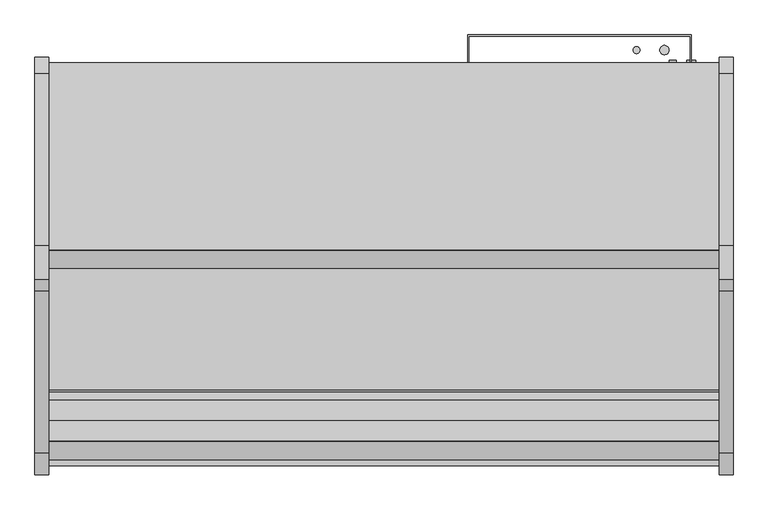
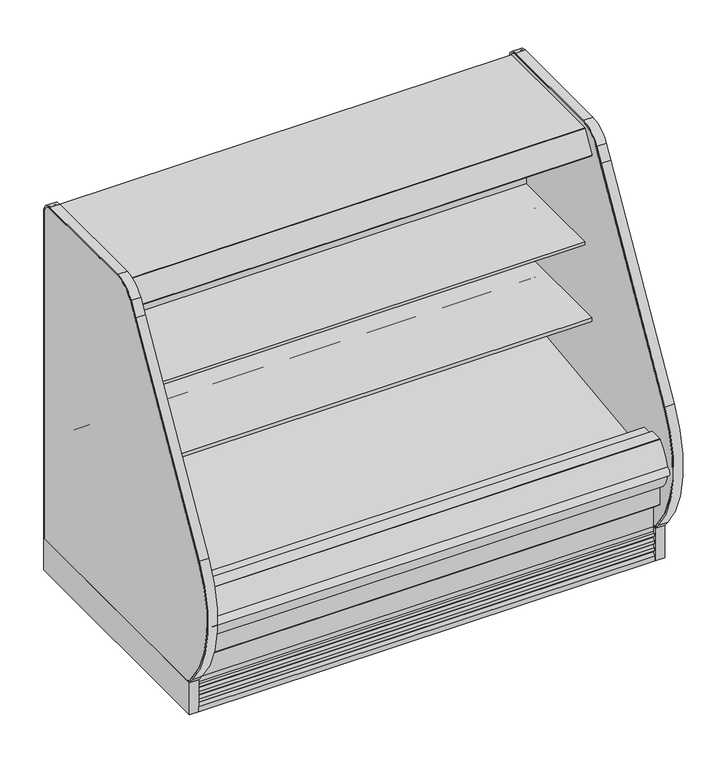
"""IFC4 building model written with IfcOpenShell, lengths in millimetres: proxy geometry."""

from ifc_helpers import new_model, si_unit, point, frame, frame_2d, origin, origin_with_axes, place, context, project, spatial, polyline, circle_curve, trimmed, segment, composite_curve, outline, extrude, source, transform, mapped, element, save
from ifc_brep_helpers import plane_surface, revolved_surface, advanced_brep


def mechanical_equipment_22648bb8(model_context):
    return source(origin(), model_context, "Body", "SolidModel", [
        extrude(outline(polyline([(-1207.2868281, 130.175), (-1207.2868281, -0.0003808), (-1376.2339273, -0.0003808), (-1376.2339273, 136.4466748), (-1288.2500912, 136.4466748), (-1280.7758002, 130.175), (-1207.2868281, 130.175)])), frame((0.0, 0.0, 0.0), z_axis=(1.0, 0.0, 0.0), x_axis=(0.0, 1.0, 0.0)), (0.0, 0.0, 1.0), 1828.8),
        extrude(outline(composite_curve([segment(polyline([(-1398.2490481, 0.0), (-1398.2490481, 20.8794252)]), True, "CONTINUOUS"), segment(trimmed(circle_curve(frame_2d((-1397.8038485, 33.7824713)), 12.9107243), [point((-1398.2490481, 20.8794252))], [point((-1385.5100751, 29.8391301))], True, "CARTESIAN"), True, "CONTINUOUS"), segment(polyline([(-1385.5100751, 29.8391301), (-1381.3520273, 40.67714), (-1391.9892225, 38.5193172), (-1393.9831225, 38.5193172), (-1393.9831225, 51.2193172)]), True, "CONTINUOUS"), segment(trimmed(circle_curve(frame_2d((-1398.4009903, 64.7214645)), 14.2065314), [point((-1393.9831225, 51.2193172))], [point((-1384.8411244, 60.4840631))], True, "CARTESIAN"), True, "CONTINUOUS"), segment(polyline([(-1384.8411244, 60.4840631), (-1381.3520273, 71.6493231), (-1391.9892225, 69.4915004), (-1393.9831225, 69.4915004), (-1393.9831225, 82.1915004)]), True, "CONTINUOUS"), segment(trimmed(circle_curve(frame_2d((-1398.4733657, 95.765064)), 14.2969897), [point((-1393.9831225, 82.1915004))], [point((-1384.8411244, 91.4562462))], True, "CARTESIAN"), True, "CONTINUOUS"), segment(polyline([(-1384.8411244, 91.4562462), (-1381.3520273, 102.4950543), (-1391.9892225, 100.4638704), (-1393.9831225, 100.4638704), (-1393.9831225, 113.1638704)]), True, "CONTINUOUS"), segment(trimmed(circle_curve(frame_2d((-1393.3853579, 124.1285303)), 10.9809422), [point((-1393.9831225, 113.1638704))], [point((-1385.5996238, 116.3849243))], True, "CARTESIAN"), True, "CONTINUOUS"), segment(polyline([(-1385.5996238, 116.3849243), (-1385.5996238, 136.5150291), (-1385.5996238, 218.1326317), (-1376.2339273, 210.2738792), (-1376.2339273, 136.5150291), (-1376.2339273, 0.0), (-1398.2490481, 0.0)]), True, "CONTINUOUS")], self_intersect=False)), frame((0.0, 0.0, 0.0), z_axis=(1.0, 0.0, 0.0), x_axis=(0.0, 1.0, 0.0)), (0.0, 0.0, 1.0), 1828.8),
        extrude(outline(polyline([(0.0, -101.6), (0.0, 0.0), (1828.8, 0.0), (1828.8, -101.6), (0.0, -101.6)])), frame((1828.8, -799.6871494, 1475.6701837), z_axis=(0.0, 0.42261826174518546, 0.906307787034558), x_axis=(-1.0, 0.0, 0.0)), (0.0, 0.0, 1.0), 25.4),
        extrude(outline(composite_curve([segment(polyline([(-856.3720739, 1487.6222561), (-855.4141789, 1487.6575247), (-854.8866944, 1488.2643263), (-826.873982, 1488.75329), (-826.3775297, 1488.1402224), (-825.5510905, 1488.0799085), (-824.9739816, 1487.5027996), (-826.8086172, 1485.4249376), (-826.6916488, 1478.7238224)]), True, "CONTINUOUS"), segment(trimmed(circle_curve(frame_2d((-823.9572832, 1478.3207136)), 2.7639197), [point((-826.6916488, 1478.7238224))], [point((-824.8850662, 1475.717164))], True, "CARTESIAN"), True, "CONTINUOUS"), segment(trimmed(circle_curve(frame_2d((-826.0622124, 1472.4138499)), 3.5067873), [point((-824.8850662, 1475.717164))], [point((-823.8846356, 1475.1626163))], False, "CARTESIAN"), True, "CONTINUOUS"), segment(trimmed(circle_curve(frame_2d((-826.2189323, 1469.0233906)), 6.5680312), [point((-823.8846356, 1475.1626163))], [point((-819.6542304, 1469.2324879))], False, "CARTESIAN"), True, "CONTINUOUS"), segment(trimmed(circle_curve(frame_2d((-1771.7877951, 1448.0264548)), 952.3696872), [point((-819.6542304, 1469.2324879))], [point((-819.4223583, 1450.8717555))], False, "CARTESIAN"), True, "CONTINUOUS"), segment(trimmed(circle_curve(frame_2d((-850.2254196, 1450.8892193)), 30.8030662), [point((-819.4223583, 1450.8717555))], [point((-819.4538953, 1449.4955962))], False, "CARTESIAN"), True, "CONTINUOUS"), segment(trimmed(circle_curve(frame_2d((-820.1873248, 1449.5288127)), 0.7341812), [point((-819.4538953, 1449.4955962))], [point((-820.1745116, 1448.7947433))], False, "CARTESIAN"), True, "CONTINUOUS"), segment(polyline([(-820.1745116, 1448.7947433), (-821.4350911, 1448.7727398), (-822.2122695, 1449.0640291), (-858.1537301, 1448.4560531), (-859.1450473, 1448.07347), (-860.3206391, 1448.0939901)]), True, "CONTINUOUS"), segment(trimmed(circle_curve(frame_2d((-860.3078259, 1448.8280595)), 0.7341812), [point((-860.3206391, 1448.0939901))], [point((-861.0113379, 1448.6180762))], False, "CARTESIAN"), True, "CONTINUOUS"), segment(trimmed(circle_curve(frame_2d((308.1866283, 1488.9190227)), 1169.8923242), [point((-861.0113379, 1448.6180762))], [point((-861.5275157, 1468.501587))], False, "CARTESIAN"), True, "CONTINUOUS"), segment(trimmed(circle_curve(frame_2d((-855.2571389, 1468.6110368)), 6.2713319), [point((-861.5275157, 1468.501587))], [point((-858.4871137, 1473.9866175))], False, "CARTESIAN"), True, "CONTINUOUS"), segment(polyline([(-858.4871137, 1473.9866175), (-856.5261956, 1475.1648559)]), True, "CONTINUOUS"), segment(trimmed(circle_curve(frame_2d((-858.3327963, 1478.1715444)), 3.5077032), [point((-856.5261956, 1475.1648559))], [point((-854.825627, 1478.232742))], True, "CARTESIAN"), True, "CONTINUOUS"), segment(polyline([(-854.825627, 1478.232742), (-854.9784229, 1485.020105), (-856.884522, 1487.0327521), (-856.3720739, 1487.6222561)]), True, "CONTINUOUS")], self_intersect=False)), frame((0.0, 0.0, 0.0), z_axis=(1.0, 0.0, 0.0), x_axis=(0.0, 1.0, 0.0)), (0.0, 0.0, 1.0), 1828.8),
        extrude(outline(composite_curve([segment(polyline([(-903.3507477, 1486.8022403), (-902.3928526, 1486.8375089), (-901.8653681, 1487.4443105), (-873.8526557, 1487.9332742), (-873.3562034, 1487.3202066), (-872.5297642, 1487.2598927), (-871.9526553, 1486.6827838), (-873.787291, 1484.6049218), (-873.6703226, 1477.9038066)]), True, "CONTINUOUS"), segment(trimmed(circle_curve(frame_2d((-870.935957, 1477.5006978)), 2.7639197), [point((-873.6703226, 1477.9038066))], [point((-871.8637399, 1474.8971482))], True, "CARTESIAN"), True, "CONTINUOUS"), segment(trimmed(circle_curve(frame_2d((-873.0408861, 1471.5938341)), 3.5067873), [point((-871.8637399, 1474.8971482))], [point((-870.8633094, 1474.3426005))], False, "CARTESIAN"), True, "CONTINUOUS"), segment(trimmed(circle_curve(frame_2d((-873.1976061, 1468.2033748)), 6.5680312), [point((-870.8633094, 1474.3426005))], [point((-866.6329041, 1468.4124721))], False, "CARTESIAN"), True, "CONTINUOUS"), segment(trimmed(circle_curve(frame_2d((-1818.7664689, 1447.206439)), 952.3696872), [point((-866.6329041, 1468.4124721))], [point((-866.401032, 1450.0517397))], False, "CARTESIAN"), True, "CONTINUOUS"), segment(trimmed(circle_curve(frame_2d((-897.2040933, 1450.0692035)), 30.8030662), [point((-866.401032, 1450.0517397))], [point((-866.4325691, 1448.6755804))], False, "CARTESIAN"), True, "CONTINUOUS"), segment(trimmed(circle_curve(frame_2d((-867.1659985, 1448.7087969)), 0.7341812), [point((-866.4325691, 1448.6755804))], [point((-867.1531853, 1447.9747275))], False, "CARTESIAN"), True, "CONTINUOUS"), segment(polyline([(-867.1531853, 1447.9747275), (-868.4137648, 1447.952724), (-869.1909432, 1448.2440133), (-905.1324038, 1447.6360373), (-906.1237211, 1447.2534542), (-907.2993128, 1447.2739743)]), True, "CONTINUOUS"), segment(trimmed(circle_curve(frame_2d((-907.2864996, 1448.0080437)), 0.7341812), [point((-907.2993128, 1447.2739743))], [point((-907.9900116, 1447.7980604))], False, "CARTESIAN"), True, "CONTINUOUS"), segment(trimmed(circle_curve(frame_2d((261.2079545, 1488.0990069)), 1169.8923242), [point((-907.9900116, 1447.7980604))], [point((-908.5061894, 1467.6815712))], False, "CARTESIAN"), True, "CONTINUOUS"), segment(trimmed(circle_curve(frame_2d((-902.2358127, 1467.791021)), 6.2713319), [point((-908.5061894, 1467.6815712))], [point((-905.4657874, 1473.1666017))], False, "CARTESIAN"), True, "CONTINUOUS"), segment(polyline([(-905.4657874, 1473.1666017), (-903.5048694, 1474.3448401)]), True, "CONTINUOUS"), segment(trimmed(circle_curve(frame_2d((-905.31147, 1477.3515286)), 3.5077032), [point((-903.5048694, 1474.3448401))], [point((-901.8043008, 1477.4127262))], True, "CARTESIAN"), True, "CONTINUOUS"), segment(polyline([(-901.8043008, 1477.4127262), (-901.9570967, 1484.2000892), (-903.8631957, 1486.2127363), (-903.3507477, 1486.8022403)]), True, "CONTINUOUS")], self_intersect=False)), frame((0.0, 0.0, 0.0), z_axis=(1.0, 0.0, 0.0), x_axis=(0.0, 1.0, 0.0)), (0.0, 0.0, 1.0), 1828.8),
        extrude(outline(composite_curve([segment(polyline([(-1430.5207837, 390.4771975), (-1430.5207837, 349.2540688), (-1454.9909131, 349.2540688)]), True, "CONTINUOUS"), segment(trimmed(circle_curve(frame_2d((-1359.7644053, 433.283303)), 126.9999999), [point((-1454.9909131, 349.2540688))], [point((-1486.2875159, 444.2788694))], False, "CARTESIAN"), True, "CONTINUOUS"), segment(trimmed(circle_curve(frame_2d((-1312.9030759, 405.0685499)), 177.7628003), [point((-1486.2875159, 444.2788694))], [point((-1433.6857347, 535.4953973))], False, "CARTESIAN"), True, "CONTINUOUS"), segment(trimmed(circle_curve(frame_2d((-1422.8289382, 523.7717132)), 15.9785731), [point((-1433.6857347, 535.4953973))], [point((-1432.3887837, 536.575))], False, "CARTESIAN"), True, "CONTINUOUS"), segment(polyline([(-1432.3887837, 536.575), (-1377.3315877, 536.575), (-1377.3315877, 522.2875), (-1379.5124455, 522.2875), (-1379.5124455, 390.4771975), (-1430.5207837, 390.4771975)]), True, "CONTINUOUS")], self_intersect=False)), frame((0.0, 0.0, 0.0), z_axis=(1.0, 0.0, 0.0), x_axis=(0.0, 1.0, 0.0)), (0.0, 0.0, 1.0), 1828.8),
        extrude(outline(composite_curve([segment(trimmed(circle_curve(frame_2d((914.4, -1125.4089273)), 38.1), [point((876.3, -1125.4089273))], [point((952.5, -1125.4089273))], False, "CARTESIAN"), True, "CONTINUOUS"), segment(trimmed(circle_curve(frame_2d((914.4, -1125.4089273)), 38.1), [point((952.5, -1125.4089273))], [point((876.3, -1125.4089273))], False, "CARTESIAN"), True, "CONTINUOUS")], self_intersect=False)), frame((0.0, 0.0, 68.5310382), z_axis=(0.0, 0.0, 1.0), x_axis=(1.0, 0.0, 0.0)), (0.0, 0.0, 1.0), 52.7807458),
        extrude(outline(polyline([(1828.8, -452.3089273), (1828.8, -503.4770145), (0.0, -503.4770145), (0.0, -452.3089273), (1828.8, -452.3089273)])), frame((0.0, 0.0, 415.8429537), z_axis=(0.0, 0.0, 1.0), x_axis=(1.0, 0.0, 0.0)), (0.0, 0.0, 1.0), 1046.4774215),
        extrude(outline(composite_curve([segment(polyline([(-503.4770145, 415.8429537), (-452.3089273, 415.8429537), (-452.3089273, 350.7638053)]), True, "CONTINUOUS"), segment(trimmed(circle_curve(frame_2d((-604.8944357, 364.8057873)), 153.2302667), [point((-452.3089273, 350.7638053))], [point((-599.382701, 211.674682))], False, "CARTESIAN"), True, "CONTINUOUS"), segment(polyline([(-599.382701, 211.674682), (-1043.4743285, 195.6902403), (-1096.5862318, 157.108203), (-1163.4022387, 157.108203), (-1222.6456907, 183.5781606)]), True, "CONTINUOUS"), segment(trimmed(circle_curve(frame_2d((-1229.7607422, 334.6755912)), 151.2648587), [point((-1222.6456907, 183.5781606))], [point((-1379.5124455, 313.3335003))], False, "CARTESIAN"), True, "CONTINUOUS"), segment(polyline([(-1379.5124455, 313.3335003), (-1379.5124455, 520.7), (-1322.6270145, 520.7), (-1322.6270145, 413.1242521), (-1298.2271496, 413.1242521), (-1292.7855784, 415.0658915), (-599.3661067, 499.7256153), (-599.0019346, 494.5177112), (-516.37749, 500.2953752)]), True, "CONTINUOUS"), segment(trimmed(circle_curve(frame_2d((-516.37749, 513.1958507)), 12.9004754), [point((-516.37749, 500.2953752))], [point((-503.4770145, 513.1958507))], True, "CARTESIAN"), True, "CONTINUOUS"), segment(polyline([(-503.4770145, 513.1958507), (-503.4770145, 415.8429537)]), True, "CONTINUOUS")], self_intersect=False)), frame((0.0, 0.0, 0.0), z_axis=(1.0, 0.0, 0.0), x_axis=(0.0, 1.0, 0.0)), (0.0, 0.0, 1.0), 1828.8),
        extrude(outline(composite_curve([segment(polyline([(-530.9801751, 960.3717348), (-569.2018757, 991.4550034)]), True, "CONTINUOUS"), segment(trimmed(circle_curve(frame_2d((-609.2663488, 942.1895186)), 63.5), [point((-569.2018757, 991.4550034))], [point((-601.7092961, 1005.2382375))], True, "CARTESIAN"), True, "CONTINUOUS"), segment(polyline([(-601.7092961, 1005.2382375), (-795.7710126, 1028.4985771), (-795.7710126, 1042.2134588), (-909.8770145, 1042.2134588), (-909.8770145, 1055.7072088), (-503.4770145, 1055.7072088), (-503.4770145, 954.8969333), (-514.5849068, 954.6806162)]), True, "CONTINUOUS"), segment(trimmed(circle_curve(frame_2d((-515.0728525, 979.736644)), 25.0607786), [point((-514.5849068, 954.6806162))], [point((-530.9801751, 960.3717348))], False, "CARTESIAN"), True, "CONTINUOUS")], self_intersect=False)), frame((0.0, 0.0, 0.0), z_axis=(1.0, 0.0, 0.0), x_axis=(0.0, 1.0, 0.0)), (0.0, 0.0, 1.0), 1828.8),
        extrude(outline(composite_curve([segment(polyline([(-503.4770145, 662.7969333), (-514.5849068, 662.5806162)]), True, "CONTINUOUS"), segment(trimmed(circle_curve(frame_2d((-515.0728525, 687.636644)), 25.0607786), [point((-514.5849068, 662.5806162))], [point((-530.9801751, 668.2717348))], False, "CARTESIAN"), True, "CONTINUOUS"), segment(polyline([(-530.9801751, 668.2717348), (-569.2018757, 699.3550034)]), True, "CONTINUOUS"), segment(trimmed(circle_curve(frame_2d((-609.2663488, 650.0895186)), 63.5), [point((-569.2018757, 699.3550034))], [point((-602.5000022, 713.2279898))], True, "CARTESIAN"), True, "CONTINUOUS"), segment(polyline([(-602.5000022, 713.2279898), (-846.5710126, 728.338644), (-846.5710126, 750.1134588), (-960.6770145, 750.1134588), (-960.6770145, 763.6072088), (-503.4770145, 763.6072088), (-503.4770145, 662.7969333)]), True, "CONTINUOUS")], self_intersect=False)), frame((0.0, 0.0, 0.0), z_axis=(1.0, 0.0, 0.0), x_axis=(0.0, 1.0, 0.0)), (0.0, 0.0, 1.0), 1828.8),
        extrude(outline(composite_curve([segment(trimmed(circle_curve(frame_2d((-695.3013052, 1455.43905)), 0.76835), [point((-695.3013052, 1456.2074))], [point((-695.9976668, 1455.7637687))], True, "CARTESIAN"), True, "CONTINUOUS"), segment(polyline([(-695.9976668, 1455.7637687), (-706.5611798, 1433.110242)]), True, "CONTINUOUS"), segment(trimmed(circle_curve(frame_2d((-707.9856498, 1433.7744833)), 1.5717288), [point((-706.5611798, 1433.110242))], [point((-708.6498911, 1432.3500132))], False, "CARTESIAN"), True, "CONTINUOUS"), segment(polyline([(-708.6498911, 1432.3500132), (-715.881023, 1435.7219454), (-715.5482534, 1436.4355721), (-708.2947774, 1433.0532208)]), True, "CONTINUOUS"), segment(trimmed(circle_curve(frame_2d((-707.943721, 1433.7474904)), 0.7779788), [point((-708.2947774, 1433.0532208))], [point((-707.2380589, 1433.419936))], True, "CARTESIAN"), True, "CONTINUOUS"), segment(polyline([(-707.2380589, 1433.419936), (-696.6605659, 1456.2074), (-788.8757065, 1499.8444274), (-800.3012047, 1476.8507393)]), True, "CONTINUOUS"), segment(trimmed(circle_curve(frame_2d((-799.6017464, 1476.5031805)), 0.78105), [point((-800.3012047, 1476.8507393))], [point((-799.950235, 1475.8041849))], True, "CARTESIAN"), True, "CONTINUOUS"), segment(polyline([(-799.950235, 1475.8041849), (-795.6757679, 1473.6731228), (-796.0261524, 1472.9679779), (-800.3025155, 1475.0928905)]), True, "CONTINUOUS"), segment(trimmed(circle_curve(frame_2d((-799.6017464, 1476.5031805)), 1.5748), [point((-800.3025155, 1475.0928905))], [point((-801.0120364, 1477.2039496))], False, "CARTESIAN"), True, "CONTINUOUS"), segment(polyline([(-801.0120364, 1477.2039496), (-796.0056712, 1487.2792037), (-816.3291285, 1487.2792037)]), True, "CONTINUOUS"), segment(trimmed(circle_curve(frame_2d((-816.5814575, 1490.9411983)), 3.6706776), [point((-816.3291285, 1487.2792037))], [point((-817.4214474, 1487.3679237))], False, "CARTESIAN"), True, "CONTINUOUS"), segment(polyline([(-817.4214474, 1487.3679237), (-825.4219867, 1488.7786346), (-923.6334072, 1487.0643479)]), True, "CONTINUOUS"), segment(trimmed(circle_curve(frame_2d((-923.6196651, 1486.2770678)), 0.7874), [point((-923.6334072, 1487.0643479))], [point((-924.3015736, 1486.6707678))], True, "CARTESIAN"), True, "CONTINUOUS"), segment(polyline([(-924.3015736, 1486.6707678), (-925.5155025, 1486.0413812), (-941.8431879, 1457.7610006), (-942.4019879, 1456.7931306), (-948.3519379, 1446.4875149)]), True, "CONTINUOUS"), segment(trimmed(circle_curve(frame_2d((-949.7267532, 1447.2812649)), 1.5875), [point((-948.3519379, 1446.4875149))], [point((-950.5205032, 1445.9064496))], False, "CARTESIAN"), True, "CONTINUOUS"), segment(polyline([(-950.5205032, 1445.9064496), (-960.9762429, 1451.9430737)]), True, "CONTINUOUS"), segment(trimmed(circle_curve(frame_2d((-960.1824929, 1453.317889)), 1.5875), [point((-960.9762429, 1451.9430737))], [point((-961.5573082, 1454.111639))], False, "CARTESIAN"), True, "CONTINUOUS"), segment(polyline([(-961.5573082, 1454.111639), (-912.4789521, 1539.1178453)]), True, "CONTINUOUS"), segment(trimmed(circle_curve(frame_2d((-911.133385, 1538.3409817)), 1.553727), [point((-912.4789521, 1539.1178453))], [point((-911.133385, 1539.8947088))], False, "CARTESIAN"), True, "CONTINUOUS"), segment(polyline([(-911.133385, 1539.8947088), (-401.5419232, 1539.8947088), (-401.5419232, 1456.2074), (-695.3013052, 1456.2074)]), True, "CONTINUOUS")], self_intersect=False)), frame((0.0, 0.0, 0.0), z_axis=(1.0, 0.0, 0.0), x_axis=(0.0, 1.0, 0.0)), (0.0, 0.0, 1.0), 1828.8),
        extrude(outline(composite_curve([segment(trimmed(circle_curve(frame_2d((1583.9400636, -715.8339273)), 9.525), [point((1574.4150636, -715.8339273))], [point((1593.4650636, -715.8339273))], False, "CARTESIAN"), True, "CONTINUOUS"), segment(trimmed(circle_curve(frame_2d((1583.9400636, -715.8339273)), 9.525), [point((1593.4650636, -715.8339273))], [point((1574.4150636, -715.8339273))], False, "CARTESIAN"), True, "CONTINUOUS")], self_intersect=False)), frame((0.0, 0.0, 68.5310382), z_axis=(0.0, 0.0, 1.0), x_axis=(1.0, 0.0, 0.0)), (0.0, 0.0, 1.0), 52.7807458),
        extrude(outline(composite_curve([segment(trimmed(circle_curve(frame_2d((1627.4110784, -715.8339273)), 12.7), [point((1614.7110784, -715.8339273))], [point((1640.1110784, -715.8339273))], False, "CARTESIAN"), True, "CONTINUOUS"), segment(trimmed(circle_curve(frame_2d((1627.4110784, -715.8339273)), 12.7), [point((1640.1110784, -715.8339273))], [point((1614.7110784, -715.8339273))], False, "CARTESIAN"), True, "CONTINUOUS")], self_intersect=False)), frame((0.0, 0.0, 68.5310382), z_axis=(0.0, 0.0, 1.0), x_axis=(1.0, 0.0, 0.0)), (0.0, 0.0, 1.0), 52.7807458),
        advanced_brep(
        [(0.0, -401.5089273, 1495.0345648), (0.0, -401.5089273, 130.175), (0.0, -1280.7758002, 130.175), (0.0, -1430.5207837, 255.8259604), (0.0, -1430.5207837, 390.4771975), (0.0, -1379.5124455, 390.4771975), (0.0, -1379.5124455, 313.3335003), (0.0, -1222.6456907, 183.5781606), (0.0, -1163.4022387, 157.108203), (0.0, -1097.1040899, 157.108203), (0.0, -1043.9921866, 195.6902403), (0.0, -599.382701, 211.674682), (0.0, -452.3089273, 350.7638053), (0.0, -452.3089273, 1495.0345648), (1828.8, -401.5089273, 1495.0345648), (1828.8, -452.3089273, 1495.0345648), (1828.8, -452.3089273, 350.7638053), (1828.8, -599.382701, 211.674682), (1828.8, -1043.9921866, 195.6902403), (1828.8, -1097.1040899, 157.108203), (1828.8, -1163.4022387, 157.108203), (1828.8, -1222.6456907, 183.5781606), (1828.8, -1379.5124455, 313.3335003), (1828.8, -1379.5124455, 390.4771975), (1828.8, -1430.5207837, 390.4771975), (1828.8, -1430.5207837, 255.8259604), (1828.8, -1280.7758002, 130.175), (1828.8, -401.5089273, 130.175), (1727.2, -401.5089273, 417.7254285), (1727.2, -401.5089273, 316.1254285), (1727.2, -446.7209273, 316.1254285), (1727.2, -446.7209273, 417.7254285)],
        [
            (0, 1),
            (1, 2),
            (2, 3),
            (3, 4),
            (4, 5),
            (5, 6),
            (6, 7, circle_curve(frame((0.0, -1229.7607422, 334.6755912), z_axis=(1.0, 0.0, 0.0), x_axis=(0.0, 1.0, 0.0)), 151.2648587)),
            (7, 8),
            (8, 9),
            (9, 10),
            (10, 11),
            (11, 12, circle_curve(frame((0.0, -604.8944357, 364.8057873), z_axis=(1.0, 0.0, 0.0), x_axis=(0.0, 1.0, 0.0)), 153.2302667)),
            (12, 13),
            (13, 0),
            (14, 15),
            (15, 16),
            (16, 17, circle_curve(frame((1828.8, -604.8944357, 364.8057873), z_axis=(-1.0, 0.0, 0.0), x_axis=(0.0, 1.0, 0.0)), 153.2302667)),
            (17, 18),
            (18, 19),
            (19, 20),
            (20, 21),
            (21, 22, circle_curve(frame((1828.8, -1229.7607422, 334.6755912), z_axis=(-1.0, 0.0, 0.0), x_axis=(0.0, 1.0, 0.0)), 151.2648587)),
            (22, 23),
            (23, 24),
            (24, 25),
            (25, 26),
            (26, 27),
            (27, 14),
            (13, 15),
            (14, 0),
            (12, 16),
            (5, 23),
            (22, 6),
            (4, 24),
            (3, 25),
            (2, 26),
            (1, 27),
            (28, 29, circle_curve(frame((1727.2, -401.5089273, 366.9254285), z_axis=(0.0, -1.0, 0.0), x_axis=(0.0, 0.0, 1.0)), 50.8)),
            (29, 28, circle_curve(frame((1727.2, -401.5089273, 366.9254285), z_axis=(0.0, -1.0, 0.0), x_axis=(0.0, 0.0, 1.0)), 50.8)),
            (11, 17),
            (10, 18),
            (9, 19),
            (8, 20),
            (30, 31, circle_curve(frame((1727.2, -446.7209273, 366.9254285), z_axis=(0.0, 1.0, 0.0), x_axis=(0.0, 0.0, 1.0)), 50.8)),
            (31, 30, circle_curve(frame((1727.2, -446.7209273, 366.9254285), z_axis=(0.0, 1.0, 0.0), x_axis=(0.0, 0.0, 1.0)), 50.8)),
            (30, 29),
            (28, 31),
            (7, 21),
        ],
        [
            plane_surface(frame((0.0, -452.3089273, 1495.0345648), z_axis=(-1.0, 0.0, 0.0), x_axis=(0.0, 1.0, 0.0))),
            plane_surface(frame((1828.8, -452.3089273, 1495.0345648), z_axis=(1.0, 0.0, 0.0), x_axis=(0.0, -1.0, 0.0))),
            plane_surface(frame((1828.8, -401.5089273, 1495.0345648), z_axis=(0.0, 0.0, 1.0), x_axis=(-1.0, 0.0, 0.0))),
            plane_surface(frame((1828.8, -452.3089273, 1495.0345648), z_axis=(0.0, -1.0, 0.0), x_axis=(-1.0, 0.0, 0.0))),
            plane_surface(frame((1828.8, -1379.5124455, 313.3335003), z_axis=(0.0, 1.0, 0.0), x_axis=(-1.0, 0.0, 0.0))),
            plane_surface(frame((1828.8, -1379.5124455, 390.4771975), z_axis=(0.0, 0.0, 1.0), x_axis=(-1.0, 0.0, 0.0))),
            plane_surface(frame((1828.8, -1430.5207837, 390.4771975), z_axis=(0.0, -1.0, 0.0), x_axis=(-1.0, 0.0, 0.0))),
            plane_surface(frame((1828.8, -1430.5207837, 255.8259604), z_axis=(0.0, -0.6427876096870797, -0.7660444431185247), x_axis=(-1.0, 0.0, 0.0))),
            plane_surface(frame((1828.8, -1280.7758002, 130.175), z_axis=(0.0, 0.0, -1.0), x_axis=(-1.0, 0.0, 0.0))),
            plane_surface(frame((1828.8, -401.5089273, 130.175), z_axis=(0.0, 1.0, 0.0), x_axis=(-1.0, 0.0, 0.0))),
            revolved_surface(polyline([(0.0, -451.664169, 364.8057873), (1828.8, -451.664169, 364.8057873)]), (0.0, -604.8944357, 364.8057873), (-1.0, 0.0, 0.0)),
            plane_surface(frame((1828.8, -599.382701, 211.674682), z_axis=(0.0, -0.03592843195619589, 0.9993543654666092), x_axis=(-1.0, 0.0, 0.0))),
            plane_surface(frame((1828.8, -1043.9921866, 195.6902403), z_axis=(0.0, -0.5877252382161418, 0.8090605937528904), x_axis=(-1.0, 0.0, 0.0))),
            plane_surface(frame((1828.8, -1097.1040899, 157.108203), z_axis=(0.0, 0.0, 1.0), x_axis=(-1.0, 0.0, 0.0))),
            plane_surface(frame((1727.2, -446.7209273, 417.7254285), z_axis=(0.0, 1.0, 0.0), x_axis=(-1.0, 0.0, 0.0))),
            revolved_surface(polyline([(1727.2, -401.5089273, 417.7254285), (1727.2, -446.7209273, 417.7254285)]), (1727.2, -446.7209273, 366.9254285), (0.0, 1.0, 0.0)),
            plane_surface(frame((1828.8, -1163.4022387, 157.108203), z_axis=(0.0, 0.4079333701562298, 0.9130117006440719), x_axis=(-1.0, 0.0, 0.0))),
            revolved_surface(polyline([(0.0, -1078.4958835000002, 334.6755912), (1828.8, -1078.4958835000002, 334.6755912)]), (0.0, -1229.7607422, 334.6755912), (-1.0, 0.0, 0.0)),
        ],
        [
            (0, [[1, 2, 3, 4, 5, 6, 7, 8, 9, 10, 11, 12, 13, 14]]),
            (1, [[15, 16, 17, 18, 19, 20, 21, 22, 23, 24, 25, 26, 27, 28]]),
            (2, [[-14, 29, -15, 30]]),
            (3, [[-13, 31, -16, -29]]),
            (4, [[-6, 32, -23, 33]]),
            (5, [[-5, 34, -24, -32]]),
            (6, [[-4, 35, -25, -34]]),
            (7, [[-3, 36, -26, -35]]),
            (8, [[-2, 37, -27, -36]]),
            (9, [[-1, -30, -28, -37], [38, 39]]),
            (10, [[-12, 40, -17, -31]]),
            (11, [[-11, 41, -18, -40]]),
            (12, [[-10, 42, -19, -41]]),
            (13, [[-9, 43, -20, -42]]),
            (14, [[44, 45]]),
            (15, [[-44, 46, -38, 47]]),
            (15, [[-45, -47, -39, -46]]),
            (16, [[-8, 48, -21, -43]]),
            (17, [[-7, -33, -22, -48]]),
        ],
    ),
        extrude(outline(composite_curve([segment(trimmed(circle_curve(frame_2d((-1359.976437, 433.7703881)), 126.8661634), [point((-1486.5241419, 442.7538054))], [point((-1485.1943519, 413.38664))], True, "CARTESIAN"), True, "CONTINUOUS"), segment(trimmed(circle_curve(frame_2d((-1481.8568934, 431.5331592)), 18.450875), [point((-1485.1943519, 413.38664))], [point((-1484.8478424, 449.7399989))], False, "CARTESIAN"), True, "CONTINUOUS"), segment(trimmed(circle_curve(frame_2d((-1312.8669676, 404.7799086)), 177.7606003), [point((-1484.8478424, 449.7399989))], [point((-1486.5241419, 442.7538054))], True, "CARTESIAN"), True, "CONTINUOUS")], self_intersect=False)), frame((0.0, 0.0, 0.0), z_axis=(1.0, 0.0, 0.0), x_axis=(0.0, 1.0, 0.0)), (0.0, 0.0, 1.0), 1828.8),
        extrude(outline(composite_curve([segment(trimmed(circle_curve(frame_2d((368.3, 1752.6)), 12.7), [point((368.3, 1765.3))], [point((368.3, 1739.9))], False, "CARTESIAN"), True, "CONTINUOUS"), segment(trimmed(circle_curve(frame_2d((368.3, 1752.6)), 12.7), [point((368.3, 1739.9))], [point((368.3, 1765.3))], False, "CARTESIAN"), True, "CONTINUOUS")], self_intersect=False)), frame((0.0, -446.7209273, 0.0), z_axis=(0.0, 1.0, 0.0), x_axis=(0.0, 0.0, 1.0)), (0.0, 0.0, 1.0), 52.8518438),
        extrude(outline(composite_curve([segment(trimmed(circle_curve(frame_2d((368.3, 1701.8)), 9.525), [point((368.3, 1711.325))], [point((368.3, 1692.275))], False, "CARTESIAN"), True, "CONTINUOUS"), segment(trimmed(circle_curve(frame_2d((368.3, 1701.8)), 9.525), [point((368.3, 1692.275))], [point((368.3, 1711.325))], False, "CARTESIAN"), True, "CONTINUOUS")], self_intersect=False)), frame((0.0, -446.7209273, 0.0), z_axis=(0.0, 1.0, 0.0), x_axis=(0.0, 0.0, 1.0)), (0.0, 0.0, 1.0), 52.8518438),
        advanced_brep(
        [(0.0, -401.5089273, 130.175), (0.0, -401.5089273, 0.0), (0.0, -442.9395023, 0.0), (0.0, -442.9395023, 46.0815692), (0.0, -1163.3527173, 46.0815692), (0.0, -1163.3527173, -0.0003808), (0.0, -1207.2868281, -0.0003808), (0.0, -1207.2868281, 130.175), (1828.8, -401.5089273, 130.175), (1828.8, -1207.2868281, 130.175), (1828.8, -1207.2868281, -0.0003808), (1828.8, -1163.3527173, -0.0003808), (1828.8, -1163.3527173, 46.0815692), (1828.8, -442.9395023, 46.0815692), (1828.8, -442.9395023, 0.0), (1828.8, -401.5089273, 0.0), (863.6, -1125.4089273, 121.311784), (965.2, -1125.4089273, 121.311784), (965.2, -1125.4089273, 46.0815692), (948.1773415, -1163.3527173, 46.0815692), (948.1773415, -1163.3527173, -0.0003808), (880.6226585, -1163.3527173, -0.0003808), (880.6226585, -1163.3527173, 46.0815692), (863.6, -1125.4089273, 46.0815692), (1555.75, -717.7620933, 121.311784), (1657.35, -717.7620933, 121.311784), (1657.35, -717.7620933, 46.0815692), (1555.75, -717.7620933, 46.0815692)],
        [
            (0, 1),
            (1, 2),
            (2, 3),
            (3, 4),
            (4, 5),
            (5, 6),
            (6, 7),
            (7, 0),
            (8, 9),
            (9, 10),
            (10, 11),
            (11, 12),
            (12, 13),
            (13, 14),
            (14, 15),
            (15, 8),
            (0, 8),
            (15, 1),
            (16, 17, circle_curve(frame((914.4, -1125.4089273, 121.311784), z_axis=(0.0, 0.0, -1.0), x_axis=(1.0, 0.0, 0.0)), 50.8)),
            (17, 16, circle_curve(frame((914.4, -1125.4089273, 121.311784), z_axis=(0.0, 0.0, -1.0), x_axis=(1.0, 0.0, 0.0)), 50.8)),
            (17, 18),
            (18, 19, circle_curve(frame((914.4, -1125.4089273, 46.0815692), z_axis=(0.0, 0.0, -1.0), x_axis=(1.0, 0.0, 0.0)), 50.8)),
            (19, 20),
            (20, 21, circle_curve(frame((914.4, -1125.4089273, -0.0003808), z_axis=(0.0, 0.0, -1.0), x_axis=(1.0, 0.0, 0.0)), 50.8)),
            (21, 22),
            (22, 23, circle_curve(frame((914.4, -1125.4089273, 46.0815692), z_axis=(0.0, 0.0, -1.0), x_axis=(1.0, 0.0, 0.0)), 50.8)),
            (23, 16),
            (23, 18, circle_curve(frame((914.4, -1125.4089273, 46.0815692), z_axis=(0.0, 0.0, -1.0), x_axis=(1.0, 0.0, 0.0)), 50.8)),
            (24, 25, circle_curve(frame((1606.55, -717.7620933, 121.311784), z_axis=(0.0, 0.0, -1.0), x_axis=(1.0, 0.0, 0.0)), 50.8)),
            (25, 24, circle_curve(frame((1606.55, -717.7620933, 121.311784), z_axis=(0.0, 0.0, -1.0), x_axis=(1.0, 0.0, 0.0)), 50.8)),
            (25, 26),
            (26, 27, circle_curve(frame((1606.55, -717.7620933, 46.0815692), z_axis=(0.0, 0.0, -1.0), x_axis=(1.0, 0.0, 0.0)), 50.8)),
            (27, 24),
            (27, 26, circle_curve(frame((1606.55, -717.7620933, 46.0815692), z_axis=(0.0, 0.0, -1.0), x_axis=(1.0, 0.0, 0.0)), 50.8)),
            (4, 22),
            (21, 5),
            (11, 20),
            (19, 12),
            (3, 13),
            (2, 14),
            (7, 9),
            (6, 10),
        ],
        [
            plane_surface(frame((0.0, -1174.6544232, 130.175), z_axis=(-1.0, 0.0, 0.0), x_axis=(0.0, 1.0, 0.0))),
            plane_surface(frame((1828.8, -1174.6544232, 130.175), z_axis=(1.0, 0.0, 0.0), x_axis=(0.0, -1.0, 0.0))),
            plane_surface(frame((1828.8, -401.5089273, 0.0), z_axis=(0.0, 1.0, 0.0), x_axis=(-1.0, 0.0, 0.0))),
            plane_surface(frame((965.2, -1125.4089273, 121.311784), z_axis=(0.0, 0.0, -1.0), x_axis=(0.0, 1.0, 0.0))),
            revolved_surface(polyline([(965.1999999999999, -1125.4089273, 121.311784), (965.1999999999999, -1125.4089273, -0.0003808)]), (914.4, -1125.4089273, 0.0), (0.0, 0.0, 1.0)),
            revolved_surface(polyline([(965.1999999999999, -1125.4089273, 121.311784), (965.1999999999999, -1125.4089273, 46.0815692)]), (914.4, -1125.4089273, 0.0), (0.0, 0.0, 1.0)),
            plane_surface(frame((1657.35, -717.7620933, 121.311784), z_axis=(0.0, 0.0, -1.0), x_axis=(0.0, 1.0, 0.0))),
            revolved_surface(polyline([(1657.35, -717.7620933, 121.311784), (1657.35, -717.7620933, 46.0815692)]), (1606.55, -717.7620933, 0.0), (0.0, 0.0, 1.0)),
            plane_surface(frame((1828.8, -1163.3527173, -0.0003808), z_axis=(0.0, 1.0, 0.0), x_axis=(-1.0, 0.0, 0.0))),
            plane_surface(frame((1828.8, -1163.3527173, 46.0815692), z_axis=(0.0, 0.0, -1.0), x_axis=(-1.0, 0.0, 0.0))),
            plane_surface(frame((1828.8, -442.9395023, 46.0815692), z_axis=(0.0, -1.0, 0.0), x_axis=(-1.0, 0.0, 0.0))),
            plane_surface(frame((1828.8, -442.9395023, 0.0), z_axis=(0.0, 0.0, -1.0), x_axis=(-1.0, 0.0, 0.0))),
            plane_surface(frame((1828.8, -401.5089273, 130.175), z_axis=(0.0, 0.0, 1.0), x_axis=(-1.0, 0.0, 0.0))),
            plane_surface(frame((1828.8, -1207.2868281, 130.175), z_axis=(0.0, -1.0, 0.0), x_axis=(-1.0, 0.0, 0.0))),
            plane_surface(frame((1828.8, -1207.2868281, -0.0003808), z_axis=(0.0, 0.0, -1.0), x_axis=(-1.0, 0.0, 0.0))),
        ],
        [
            (0, [[1, 2, 3, 4, 5, 6, 7, 8]]),
            (1, [[9, 10, 11, 12, 13, 14, 15, 16]]),
            (2, [[-1, 17, -16, 18]]),
            (3, [[19, 20]]),
            (4, [[-20, 21, 22, 23, 24, 25, 26, 27]]),
            (5, [[-19, -27, 28, -21]]),
            (6, [[29, 30]]),
            (7, [[-30, 31, 32, 33]]),
            (7, [[-29, -33, 34, -31]]),
            (8, [[-5, 35, -25, 36]]),
            (8, [[-12, 37, -23, 38]]),
            (9, [[-4, 39, -13, -38, -22, -28, -26, -35], [-32, -34]]),
            (10, [[-3, 40, -14, -39]]),
            (11, [[-2, -18, -15, -40]]),
            (12, [[-8, 41, -9, -17]]),
            (13, [[-7, 42, -10, -41]]),
            (14, [[-6, -36, -24, -37, -11, -42]]),
        ],
    ),
        extrude(outline(polyline([(688.975, -695.7578022), (688.975, -1117.5324221), (180.975, -1117.5324221), (180.975, -695.7578022), (688.975, -695.7578022)])), frame((0.0, 0.0, 68.5310382), z_axis=(0.0, 0.0, 1.0), x_axis=(1.0, 0.0, 0.0)), (0.0, 0.0, 1.0), 6.35),
        extrude(outline(polyline([(1749.425, -401.5089273), (1749.425, -328.4839273), (1146.175, -328.4839273), (1146.175, -401.5089273), (1143.0, -401.5089273), (1143.0, -325.3089273), (1752.6, -325.3089273), (1752.6, -401.5089273), (1749.425, -401.5089273)])), frame((0.0, 0.0, 509.3917508), z_axis=(0.0, 0.0, 1.0), x_axis=(1.0, 0.0, 0.0)), (0.0, 0.0, 1.0), 744.968275),
        extrude(outline(composite_curve([segment(trimmed(circle_curve(frame_2d((1603.375, -366.5839273)), 9.525), [point((1593.85, -366.5839273))], [point((1612.9, -366.5839273))], False, "CARTESIAN"), True, "CONTINUOUS"), segment(trimmed(circle_curve(frame_2d((1603.375, -366.5839273)), 9.525), [point((1612.9, -366.5839273))], [point((1593.85, -366.5839273))], False, "CARTESIAN"), True, "CONTINUOUS")], self_intersect=False)), frame((0.0, 0.0, 938.4284214), z_axis=(0.0, 0.0, 1.0), x_axis=(1.0, 0.0, 0.0)), (0.0, 0.0, 1.0), 359.2448082),
        extrude(outline(composite_curve([segment(trimmed(circle_curve(frame_2d((1679.575, -366.5839273)), 12.7), [point((1666.875, -366.5839273))], [point((1692.275, -366.5839273))], False, "CARTESIAN"), True, "CONTINUOUS"), segment(trimmed(circle_curve(frame_2d((1679.575, -366.5839273)), 12.7), [point((1692.275, -366.5839273))], [point((1666.875, -366.5839273))], False, "CARTESIAN"), True, "CONTINUOUS")], self_intersect=False)), frame((0.0, 0.0, 938.4284214), z_axis=(0.0, 0.0, 1.0), x_axis=(1.0, 0.0, 0.0)), (0.0, 0.0, 1.0), 359.2448082),
        extrude(outline(composite_curve([segment(polyline([(-391.9839273, 1520.06879), (-391.9839273, 136.525), (-1385.6035478, 136.525), (-1385.6035478, 142.8650291), (-1394.3058513, 142.8650291)]), True, "CONTINUOUS"), segment(trimmed(circle_curve(frame_2d((-1394.3058513, 146.0172985)), 3.1522695), [point((-1394.3058513, 142.8650291))], [point((-1396.6425152, 143.9014525))], False, "CARTESIAN"), True, "CONTINUOUS"), segment(trimmed(circle_curve(frame_2d((-1254.3960787, 272.7054115)), 191.8971301), [point((-1396.6425152, 143.9014525))], [point((-1413.8476931, 165.936075))], False, "CARTESIAN"), True, "CONTINUOUS"), segment(trimmed(circle_curve(frame_2d((-1063.8305371, 460.0786093)), 457.2), [point((-1413.8476931, 165.936075))], [point((-1459.7773517, 688.6786093))], False, "CARTESIAN"), True, "CONTINUOUS"), segment(polyline([(-1459.7773517, 688.6786093), (-987.1063555, 1507.36879)]), True, "CONTINUOUS"), segment(trimmed(circle_curve(frame_2d((-899.1181745, 1456.56879)), 101.6), [point((-987.1063555, 1507.36879))], [point((-899.1181745, 1558.16879))], False, "CARTESIAN"), True, "CONTINUOUS"), segment(polyline([(-899.1181745, 1558.16879), (-430.0839273, 1558.16879)]), True, "CONTINUOUS"), segment(trimmed(circle_curve(frame_2d((-430.0839273, 1520.06879)), 38.1), [point((-430.0839273, 1558.16879))], [point((-391.9839273, 1520.06879))], False, "CARTESIAN"), True, "CONTINUOUS")], self_intersect=False)), frame((1828.8, 0.0, 0.0), z_axis=(1.0, 0.0, 0.0), x_axis=(0.0, 1.0, 0.0)), (0.0, 0.0, 1.0), 38.1),
        extrude(outline(composite_curve([segment(polyline([(-391.9839273, 1520.06879), (-391.9839273, 136.4983166), (-1385.6035478, 136.4983166), (-1385.6035478, 142.8650291), (-1394.3058513, 142.8650291)]), True, "CONTINUOUS"), segment(trimmed(circle_curve(frame_2d((-1394.3058513, 146.0172985)), 3.1522695), [point((-1394.3058513, 142.8650291))], [point((-1396.6425152, 143.9014525))], False, "CARTESIAN"), True, "CONTINUOUS"), segment(trimmed(circle_curve(frame_2d((-1254.3960787, 272.7054115)), 191.8971301), [point((-1396.6425152, 143.9014525))], [point((-1413.8476931, 165.936075))], False, "CARTESIAN"), True, "CONTINUOUS"), segment(trimmed(circle_curve(frame_2d((-1063.8305371, 460.0786093)), 457.2), [point((-1413.8476931, 165.936075))], [point((-1459.7773517, 688.6786093))], False, "CARTESIAN"), True, "CONTINUOUS"), segment(polyline([(-1459.7773517, 688.6786093), (-987.1063555, 1507.36879)]), True, "CONTINUOUS"), segment(trimmed(circle_curve(frame_2d((-899.1181745, 1456.56879)), 101.6), [point((-987.1063555, 1507.36879))], [point((-899.1181745, 1558.16879))], False, "CARTESIAN"), True, "CONTINUOUS"), segment(polyline([(-899.1181745, 1558.16879), (-430.0839273, 1558.16879)]), True, "CONTINUOUS"), segment(trimmed(circle_curve(frame_2d((-430.0839273, 1520.06879)), 38.1), [point((-430.0839273, 1558.16879))], [point((-391.9839273, 1520.06879))], False, "CARTESIAN"), True, "CONTINUOUS")], self_intersect=False)), frame((-38.1, 0.0, 0.0), z_axis=(1.0, 0.0, 0.0), x_axis=(0.0, 1.0, 0.0)), (0.0, 0.0, 1.0), 38.1),
        extrude(outline(composite_curve([segment(polyline([(-391.9839273, 136.5150291), (-391.9839273, 1520.06879)]), True, "CONTINUOUS"), segment(trimmed(circle_curve(frame_2d((-430.0839273, 1520.06879)), 38.1), [point((-391.9839273, 1520.06879))], [point((-430.0839273, 1558.16879))], True, "CARTESIAN"), True, "CONTINUOUS"), segment(polyline([(-430.0839273, 1558.16879), (-899.1181745, 1558.16879)]), True, "CONTINUOUS"), segment(trimmed(circle_curve(frame_2d((-899.1181745, 1456.56879)), 101.6), [point((-899.1181745, 1558.16879))], [point((-987.1063555, 1507.36879))], True, "CARTESIAN"), True, "CONTINUOUS"), segment(polyline([(-987.1063555, 1507.36879), (-1459.7773517, 688.6786093)]), True, "CONTINUOUS"), segment(trimmed(circle_curve(frame_2d((-1063.8305371, 460.0786093)), 457.2), [point((-1459.7773517, 688.6786093))], [point((-1413.8476931, 165.936075))], True, "CARTESIAN"), True, "CONTINUOUS"), segment(trimmed(circle_curve(frame_2d((-1254.3960787, 272.7054115)), 191.8971301), [point((-1413.8476931, 165.936075))], [point((-1396.6425152, 143.9014525))], True, "CARTESIAN"), True, "CONTINUOUS"), segment(trimmed(circle_curve(frame_2d((-1394.3058513, 146.0172985)), 3.1522695), [point((-1396.6425152, 143.9014525))], [point((-1394.3058513, 142.8650291))], True, "CARTESIAN"), True, "CONTINUOUS"), segment(polyline([(-1394.3058513, 142.8650291), (-1385.5996238, 142.8650291), (-1385.5996238, 136.5150291), (-1398.4589273, 136.5150291)]), True, "CONTINUOUS"), segment(trimmed(circle_curve(frame_2d((-1254.3960787, 272.7054115)), 198.2471301), [point((-1398.4589273, 136.5150291))], [point((-1418.9304387, 162.1144129))], False, "CARTESIAN"), True, "CONTINUOUS"), segment(trimmed(circle_curve(frame_2d((-1063.8305371, 460.0786093)), 463.55), [point((-1418.9304387, 162.1144129))], [point((-1465.276613, 691.8536093))], False, "CARTESIAN"), True, "CONTINUOUS"), segment(polyline([(-1465.276613, 691.8536093), (-1023.8335732, 1456.4553831), (-992.6056169, 1510.54379)]), True, "CONTINUOUS"), segment(trimmed(circle_curve(frame_2d((-899.1181745, 1456.56879)), 107.95), [point((-992.6056169, 1510.54379))], [point((-899.1181745, 1564.51879))], False, "CARTESIAN"), True, "CONTINUOUS"), segment(polyline([(-899.1181745, 1564.51879), (-430.0839273, 1564.51879)]), True, "CONTINUOUS"), segment(trimmed(circle_curve(frame_2d((-430.0839273, 1520.06879)), 44.45), [point((-430.0839273, 1564.51879))], [point((-385.6339273, 1520.06879))], False, "CARTESIAN"), True, "CONTINUOUS"), segment(polyline([(-385.6339273, 1520.06879), (-385.6339273, 136.5150291), (-391.9839273, 136.5150291)]), True, "CONTINUOUS")], self_intersect=False)), frame((1828.8, 0.0, 0.0), z_axis=(1.0, 0.0, 0.0), x_axis=(0.0, 1.0, 0.0)), (0.0, 0.0, 1.0), 38.1),
        extrude(outline(polyline([(0.0, -385.6339273), (0.0, -1398.4589273), (-38.1, -1398.4589273), (-38.1, -385.6339273), (0.0, -385.6339273)])), origin_with_axes(), (0.0, 0.0, 1.0), 136.4466748),
        extrude(outline(composite_curve([segment(polyline([(-391.9839273, 136.5150291), (-391.9839273, 1520.06879)]), True, "CONTINUOUS"), segment(trimmed(circle_curve(frame_2d((-430.0839273, 1520.06879)), 38.1), [point((-391.9839273, 1520.06879))], [point((-430.0839273, 1558.16879))], True, "CARTESIAN"), True, "CONTINUOUS"), segment(polyline([(-430.0839273, 1558.16879), (-899.1181745, 1558.16879)]), True, "CONTINUOUS"), segment(trimmed(circle_curve(frame_2d((-899.1181745, 1456.56879)), 101.6), [point((-899.1181745, 1558.16879))], [point((-987.1063555, 1507.36879))], True, "CARTESIAN"), True, "CONTINUOUS"), segment(polyline([(-987.1063555, 1507.36879), (-1459.7773517, 688.6786093)]), True, "CONTINUOUS"), segment(trimmed(circle_curve(frame_2d((-1063.8305371, 460.0786093)), 457.2), [point((-1459.7773517, 688.6786093))], [point((-1413.8476931, 165.936075))], True, "CARTESIAN"), True, "CONTINUOUS"), segment(trimmed(circle_curve(frame_2d((-1254.3960787, 272.7054115)), 191.8971301), [point((-1413.8476931, 165.936075))], [point((-1396.6425152, 143.9014525))], True, "CARTESIAN"), True, "CONTINUOUS"), segment(trimmed(circle_curve(frame_2d((-1394.3058513, 146.0172985)), 3.1522695), [point((-1396.6425152, 143.9014525))], [point((-1394.3058513, 142.8650291))], True, "CARTESIAN"), True, "CONTINUOUS"), segment(polyline([(-1394.3058513, 142.8650291), (-1385.5996238, 142.8650291), (-1385.5996238, 136.5150291), (-1398.4589273, 136.5150291)]), True, "CONTINUOUS"), segment(trimmed(circle_curve(frame_2d((-1254.3960787, 272.7054115)), 198.2471301), [point((-1398.4589273, 136.5150291))], [point((-1418.9304387, 162.1144129))], False, "CARTESIAN"), True, "CONTINUOUS"), segment(trimmed(circle_curve(frame_2d((-1063.8305371, 460.0786093)), 463.55), [point((-1418.9304387, 162.1144129))], [point((-1465.276613, 691.8536093))], False, "CARTESIAN"), True, "CONTINUOUS"), segment(polyline([(-1465.276613, 691.8536093), (-1023.8335732, 1456.4553831), (-992.6056169, 1510.54379)]), True, "CONTINUOUS"), segment(trimmed(circle_curve(frame_2d((-899.1181745, 1456.56879)), 107.95), [point((-992.6056169, 1510.54379))], [point((-899.1181745, 1564.51879))], False, "CARTESIAN"), True, "CONTINUOUS"), segment(polyline([(-899.1181745, 1564.51879), (-430.0839273, 1564.51879)]), True, "CONTINUOUS"), segment(trimmed(circle_curve(frame_2d((-430.0839273, 1520.06879)), 44.45), [point((-430.0839273, 1564.51879))], [point((-385.6339273, 1520.06879))], False, "CARTESIAN"), True, "CONTINUOUS"), segment(polyline([(-385.6339273, 1520.06879), (-385.6339273, 136.5150291), (-391.9839273, 136.5150291)]), True, "CONTINUOUS")], self_intersect=False)), frame((-38.1, 0.0, 0.0), z_axis=(1.0, 0.0, 0.0), x_axis=(0.0, 1.0, 0.0)), (0.0, 0.0, 1.0), 38.1),
        extrude(outline(polyline([(1866.9, -385.6339273), (1866.9, -1398.4589273), (1828.8, -1398.4589273), (1828.8, -385.6339273), (1866.9, -385.6339273)])), frame((0.0, 0.0, -0.0003808), z_axis=(0.0, 0.0, 1.0), x_axis=(1.0, 0.0, 0.0)), (0.0, 0.0, 1.0), 136.5154099),
    ])


if __name__ == "__main__":
    model = new_model("IFC4")
    model_context = context("Model", 3, world=origin())
    ifc_project = project(units=[si_unit("LENGTHUNIT", "METRE", prefix="MILLI")], contexts=[model_context])
    site = spatial("IfcSite", under=ifc_project)
    building = spatial("IfcBuilding", under=site)
    placement = place(None, origin())
    mechanical_equipment_shape = mechanical_equipment_22648bb8(model_context)
    element("IfcBuildingElementProxy", 1, Name="Mechanical Equipment", at=placement, inside=building, context=model_context, shape_type="MappedRepresentation", body=[
        mapped(mechanical_equipment_shape, transform((0.0, 0.0, 0.0), x_axis=(1.0, 0.0, 0.0), y_axis=(0.0, 1.0, 0.0), z_axis=(0.0, 0.0, 1.0))),
    ])
    save(model, "model.ifc")
